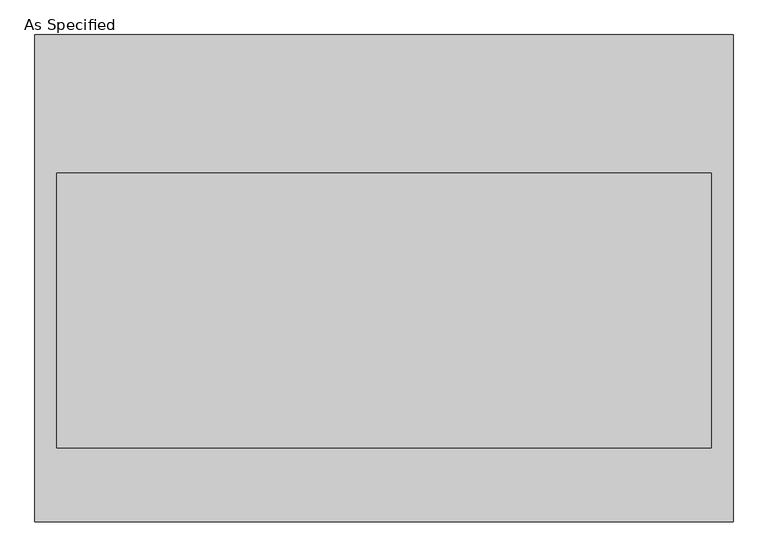
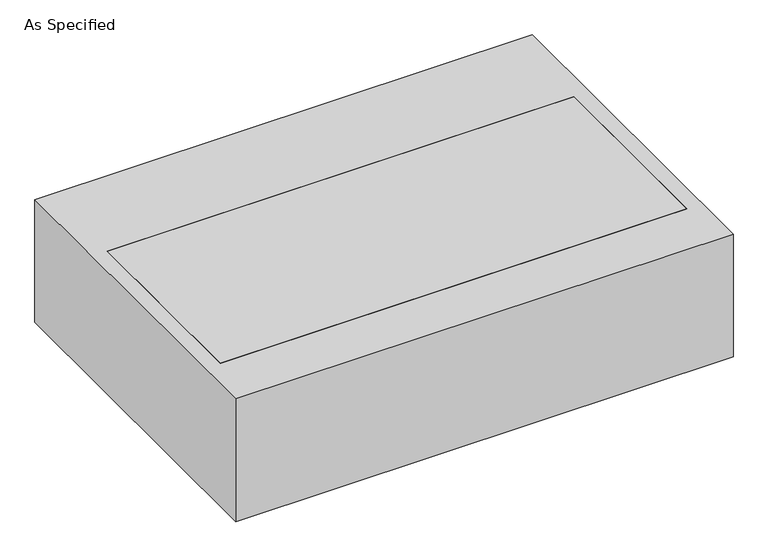
"""IFC4 building model written with IfcOpenShell, lengths in millimetres: proxy geometry, As Specified."""

import ifcopenshell
import ifcopenshell.guid

model = None  # the IFC model being written
_history = None  # IfcOwnerHistory: only IFC2X3 demands one
_inside = {}  # id of a spatial element -> (the spatial element, [elements in it])
_under = {}  # id of a project, library or spatial element -> (it, [spatial elements below it])
_declared = {}  # id of a project -> (the project, [libraries it declares])
_typed = {}  # id of a type object -> (the type object, [elements of that type])
_made_of = {}  # id of a material, layer set ... -> (it, [elements and type objects made of it])


def new_model(schema):
    """Start an empty IFC model of exactly this schema.

    Asked for "IFC4X3", IfcOpenShell would pick the latest addendum, in which some entities
    have other attributes; the version numbers below select the first issue.
    IFC2X3 requires an IfcOwnerHistory on every rooted entity: one is made here for all.
    """
    global model, _history
    if schema == "IFC4X3":
        model = ifcopenshell.file(schema_version=(4, 3, 0, 0))
    else:
        model = ifcopenshell.file(schema=schema)
    _inside.clear()
    _under.clear()
    _declared.clear()
    _typed.clear()
    _made_of.clear()
    _history = None
    if model.schema == "IFC2X3":
        org = make("IfcOrganization", Name="unknown")
        user = make(
            "IfcPersonAndOrganization",
            ThePerson=make("IfcPerson", FamilyName="unknown"),
            TheOrganization=org,
        )
        app = make(
            "IfcApplication",
            ApplicationDeveloper=org,
            Version="unknown",
            ApplicationFullName="unknown",
            ApplicationIdentifier="unknown",
        )
        _history = make(
            "IfcOwnerHistory",
            OwningUser=user,
            OwningApplication=app,
            ChangeAction="ADDED",
            CreationDate=0,
        )
    return model


def make(cls, **values):
    """One entity of the class cls with the attributes given. An attribute that is None is left unset."""
    return model.create_entity(
        cls, **{name: value for name, value in values.items() if value is not None}
    )


def rooted(cls, **values):
    """An entity with a GlobalId (a new one), such as an element, a storey or a relation."""
    return make(cls, GlobalId=ifcopenshell.guid.new(), OwnerHistory=_history, **values)


def si_unit(unit_type, name, prefix=None):
    """IfcSIUnit, for example si_unit("LENGTHUNIT", "METRE", prefix="MILLI")."""
    return make("IfcSIUnit", UnitType=unit_type, Prefix=prefix, Name=name)


def assignment(units):
    """IfcUnitAssignment: the units of a project."""
    return None if units is None else make("IfcUnitAssignment", Units=units)


def point(xyz):
    """IfcCartesianPoint."""
    return None if xyz is None else make("IfcCartesianPoint", Coordinates=xyz)


def direction(xyz):
    """IfcDirection."""
    return None if xyz is None else make("IfcDirection", DirectionRatios=xyz)


def frame(location, z_axis=None, x_axis=None):
    """IfcAxis2Placement3D, a coordinate frame: its origin and axes. An axis left out is left unset."""
    return make(
        "IfcAxis2Placement3D",
        Location=point(location),
        Axis=direction(z_axis),
        RefDirection=direction(x_axis),
    )


def origin():
    """The frame at (0, 0, 0) with its axes left unset."""
    return frame((0.0, 0.0, 0.0))


def place(relative_to, where):
    """IfcLocalPlacement: puts the frame where relative to a parent placement (None: the world)."""
    return make(
        "IfcLocalPlacement", PlacementRelTo=relative_to, RelativePlacement=where
    )


def context(
    kind, dimensions, precision=None, world=None, true_north=None, identifier=None
):
    """IfcGeometricRepresentationContext, for example the 3D "Model" context."""
    return make(
        "IfcGeometricRepresentationContext",
        ContextIdentifier=identifier,
        ContextType=kind,
        CoordinateSpaceDimension=dimensions,
        Precision=precision,
        WorldCoordinateSystem=world,
        TrueNorth=true_north,
    )


def project(units=None, contexts=None):
    """IfcProject with its units and contexts."""
    return rooted(
        "IfcProject",
        Name="project",
        RepresentationContexts=contexts,
        UnitsInContext=assignment(units),
    )


def spatial(cls, under=None, at=None, **own):
    """A site, building, storey or space (cls), placed at a placement, below another one or the project."""
    s = rooted(cls, ObjectPlacement=at, **own)
    if under is not None:
        _under.setdefault(under.id(), (under, []))[1].append(s)
    return s


def polyline(points):
    """IfcPolyline through the points."""
    return make("IfcPolyline", Points=[point(p) for p in points])


def outline(outer, holes=None, kind="AREA"):
    """IfcArbitraryClosedProfileDef: a profile drawn as a closed curve; with holes, ...WithVoids."""
    if holes is None:
        return make("IfcArbitraryClosedProfileDef", ProfileType=kind, OuterCurve=outer)
    return make(
        "IfcArbitraryProfileDefWithVoids",
        ProfileType=kind,
        OuterCurve=outer,
        InnerCurves=holes,
    )


def extrude(swept, where, along, depth):
    """IfcExtrudedAreaSolid: the profile swept, set in the frame where, extruded along a direction by depth."""
    return make(
        "IfcExtrudedAreaSolid",
        SweptArea=swept,
        Position=where,
        ExtrudedDirection=direction(along),
        Depth=depth,
    )


def shape(context_of_items, identifier, shape_type, items):
    """IfcShapeRepresentation: the items that make up one representation, for example the "Body"."""
    return make(
        "IfcShapeRepresentation",
        ContextOfItems=context_of_items,
        RepresentationIdentifier=identifier,
        RepresentationType=shape_type,
        Items=items,
    )


def source(mapping_origin, context_of_items, identifier, shape_type, items):
    """IfcRepresentationMap: a shape defined once, which mapped items show again and again."""
    return make(
        "IfcRepresentationMap",
        MappingOrigin=mapping_origin,
        MappedRepresentation=shape(context_of_items, identifier, shape_type, items),
    )


def transform(
    local_origin,
    x_axis=None,
    y_axis=None,
    z_axis=None,
    scale=None,
    scale2=None,
    scale3=None,
    uniform=True,
):
    """IfcCartesianTransformationOperator3D, or its non-uniform kind. x_axis, y_axis, z_axis: its Axis1, 2, 3."""
    if uniform:
        return make(
            "IfcCartesianTransformationOperator3D",
            Axis1=direction(x_axis),
            Axis2=direction(y_axis),
            LocalOrigin=point(local_origin),
            Scale=scale,
            Axis3=direction(z_axis),
        )
    return make(
        "IfcCartesianTransformationOperator3DnonUniform",
        Axis1=direction(x_axis),
        Axis2=direction(y_axis),
        LocalOrigin=point(local_origin),
        Scale=scale,
        Axis3=direction(z_axis),
        Scale2=scale2,
        Scale3=scale3,
    )


def mapped(mapping_source, mapping_target):
    """IfcMappedItem: shows the shape of a source again, moved by a transform."""
    return make(
        "IfcMappedItem", MappingSource=mapping_source, MappingTarget=mapping_target
    )


def made_of(thing, what):
    """Note that an element or type object is made of a material, layer set ...; save() writes the relation."""
    if what is not None:
        _made_of.setdefault(what.id(), (what, []))[1].append(thing)
    return thing


def element(
    cls,
    number,
    at=None,
    inside=None,
    cuts=None,
    type_object=None,
    material=None,
    context=None,
    identifier="Body",
    shape_type=None,
    held_by="IfcProductDefinitionShape",
    body=None,
    shapes=None,
    **own,
):
    """One element of the class cls, such as IfcWall. Its Tag is "e" and its number.

    at: its placement. inside: the storey or other place that contains it. cuts: it is an
    opening in that element (IfcRelVoidsElement). A single representation is given by context,
    identifier, shape_type and body (its items); several are given by shapes. held_by: the class
    of the entity that holds the representations. save() writes the other relations.
    """
    e = rooted(cls, Tag="e%d" % number, ObjectPlacement=at, **own)
    if body is not None:
        shapes = [shape(context, identifier, shape_type, body)]
    if shapes is not None:
        e.Representation = make(held_by, Representations=shapes)
    if inside is not None:
        _inside.setdefault(inside.id(), (inside, []))[1].append(e)
    if cuts is not None:
        rooted(
            "IfcRelVoidsElement", RelatingBuildingElement=cuts, RelatedOpeningElement=e
        )
    if type_object is not None:
        _typed.setdefault(type_object.id(), (type_object, []))[1].append(e)
    return made_of(e, material)


def aggregate(whole, parts):
    """IfcRelAggregates: a whole, such as a stair, and the parts it consists of."""
    return rooted("IfcRelAggregates", RelatingObject=whole, RelatedObjects=parts)


def save(model, path):
    """Write the relations noted so far, then the file.

    IfcRelAggregates (storeys below a building ...), IfcRelContainedInSpatialStructure (elements
    in a storey), IfcRelDefinesByType, IfcRelAssociatesMaterial and IfcRelDeclares: one each for
    every whole, place, type object, material and project.
    """
    for whole, parts in _under.values():
        aggregate(whole, parts)
    for where, things in _inside.values():
        rooted(
            "IfcRelContainedInSpatialStructure",
            RelatedElements=things,
            RelatingStructure=where,
        )
    for kind, things in _typed.values():
        rooted("IfcRelDefinesByType", RelatedObjects=things, RelatingType=kind)
    for what, things in _made_of.values():
        rooted("IfcRelAssociatesMaterial", RelatedObjects=things, RelatingMaterial=what)
    for by, libraries in _declared.values():
        rooted("IfcRelDeclares", RelatingContext=by, RelatedDefinitions=libraries)
    model.write(path)


def as_specified_cc0cda42(model_context):
    return source(origin(), model_context, "Body", "SweptSolid", [
        extrude(outline(polyline([(968.375, 676.275), (968.375, -676.275), (-968.375, -676.275), (-968.375, 676.275), (968.375, 676.275)]), holes=[polyline([(908.05, 292.1), (-908.05, 292.1), (-908.05, -469.9), (908.05, -469.9), (908.05, 292.1)])]), frame((0.0, 0.0, -530.225), z_axis=(0.0, 0.0, 1.0), x_axis=(1.0, 0.0, 0.0)), (0.0, 0.0, 1.0), 504.825),
        extrude(outline(polyline([(908.05, 292.1), (908.05, -469.9), (-908.05, -469.9), (-908.05, 292.1), (908.05, 292.1)])), frame((0.0, 0.0, -530.225), z_axis=(0.0, 0.0, 1.0), x_axis=(1.0, 0.0, 0.0)), (0.0, 0.0, 1.0), 504.825),
    ])


if __name__ == "__main__":
    model = new_model("IFC4")
    model_context = context("Model", 3, world=origin())
    ifc_project = project(units=[si_unit("LENGTHUNIT", "METRE", prefix="MILLI")], contexts=[model_context])
    site = spatial("IfcSite", under=ifc_project)
    building = spatial("IfcBuilding", under=site)
    placement = place(None, origin())
    as_specified_shape = as_specified_cc0cda42(model_context)
    element("IfcBuildingElementProxy", 1, Name="As Specified", ObjectType="As Specified", at=placement, inside=building, context=model_context, shape_type="MappedRepresentation", body=[
        mapped(as_specified_shape, transform((0.0, 0.0, 0.0), x_axis=(1.0, 0.0, 0.0), y_axis=(0.0, 1.0, 0.0), z_axis=(0.0, 0.0, 1.0))),
    ])
    save(model, "model.ifc")
